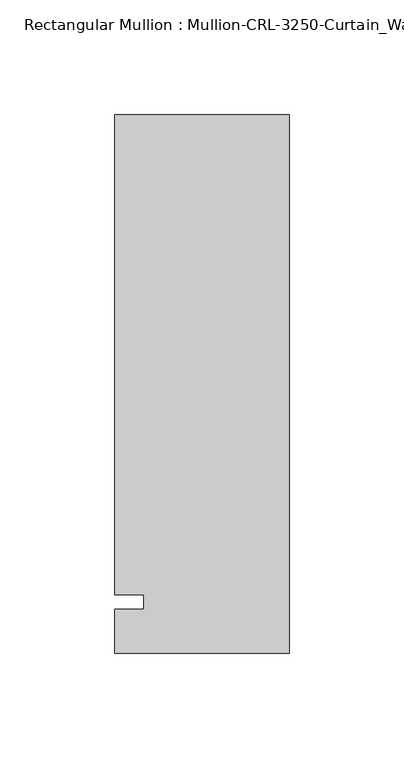
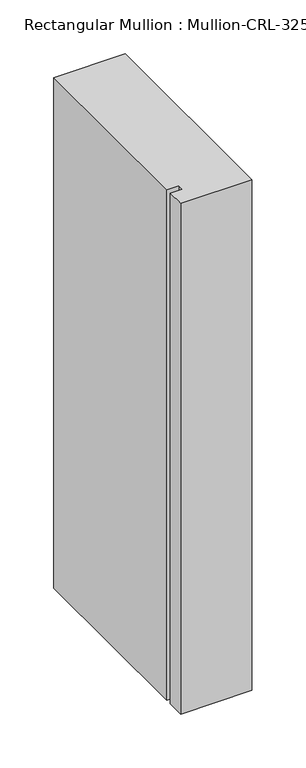
"""IFC4 building model written with IfcOpenShell, lengths in millimetres: member geometry."""

from ifc_helpers import new_model, si_unit, frame, origin, place, context, project, spatial, polyline, outline, extrude, source, transform, mapped, element, save


def member_57e7d2e4(model_context):
    return source(origin(), model_context, "Body", "SweptSolid", [
        extrude(outline(polyline([(-76.199997, -3.175), (-63.499997, -3.175), (-63.499997, 3.175), (-76.199997, 3.175), (-76.199997, 212.725), (0.0, 212.725), (0.0, -22.2254168), (-76.199997, -22.2254168), (-76.199997, -3.175)])), frame((0.0, 0.0, -577.85), z_axis=(0.0, 0.0, 1.0), x_axis=(1.0, 0.0, 0.0)), (0.0, 0.0, 1.0), 577.85),
    ])


if __name__ == "__main__":
    model = new_model("IFC4")
    model_context = context("Model", 3, world=origin())
    ifc_project = project(units=[si_unit("LENGTHUNIT", "METRE", prefix="MILLI")], contexts=[model_context])
    site = spatial("IfcSite", under=ifc_project)
    building = spatial("IfcBuilding", under=site)
    placement = place(None, origin())
    member_shape = member_57e7d2e4(model_context)
    element("IfcMember", 1, ObjectType="Rectangular Mullion : Mullion-CRL-3250-Curtain_Wall-Left_Jamb-8\"", at=placement, inside=building, context=model_context, shape_type="MappedRepresentation", body=[
        mapped(member_shape, transform((0.0, 0.0, 0.0), x_axis=(1.0, 0.0, 0.0), y_axis=(0.0, 1.0, 0.0), z_axis=(0.0, 0.0, 1.0))),
    ])
    save(model, "model.ifc")
